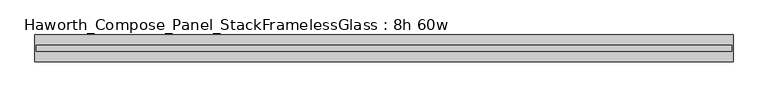
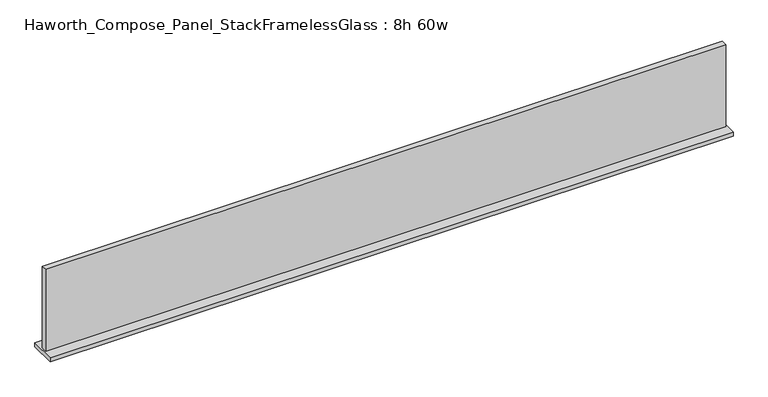
"""IFC4 building model written with IfcOpenShell, lengths in millimetres: furniture geometry, Haworth_Compose_Panel_StackFramelessGlass : 8h 60w."""

from ifc_helpers import new_model, si_unit, frame, origin, place, context, project, spatial, polyline, outline, extrude, source, transform, mapped, element, save


def haworth_compose_panel_stackframelessglass_8h_60w_05824a54(model_context):
    return source(origin(), model_context, "Body", "SweptSolid", [
        extrude(outline(polyline([(761.2652902, -27.3093594), (-756.3847098, -27.3093594), (-756.3847098, -14.6093594), (761.2652902, -14.6093594), (761.2652902, -27.3093594)])), frame((0.0, 0.0, 1279.525), z_axis=(0.0, 0.0, 1.0), x_axis=(1.0, 0.0, 0.0)), (0.0, 0.0, 1.0), 193.675),
        extrude(outline(polyline([(-759.5597098, -50.3281094), (-759.5597098, 8.4093906), (764.4402902, 8.4093906), (764.4402902, -50.3281094), (-759.5597098, -50.3281094)])), frame((0.0, 0.0, 1270.0), z_axis=(0.0, 0.0, 1.0), x_axis=(1.0, 0.0, 0.0)), (0.0, 0.0, 1.0), 9.525),
    ])


if __name__ == "__main__":
    model = new_model("IFC4")
    model_context = context("Model", 3, world=origin())
    ifc_project = project(units=[si_unit("LENGTHUNIT", "METRE", prefix="MILLI")], contexts=[model_context])
    site = spatial("IfcSite", under=ifc_project)
    building = spatial("IfcBuilding", under=site)
    placement = place(None, origin())
    haworth_compose_panel_stackframelessglass_8h_60w_shape = haworth_compose_panel_stackframelessglass_8h_60w_05824a54(model_context)
    element("IfcFurniture", 1, ObjectType="Haworth_Compose_Panel_StackFramelessGlass : 8h 60w", at=placement, inside=building, context=model_context, shape_type="MappedRepresentation", body=[
        mapped(haworth_compose_panel_stackframelessglass_8h_60w_shape, transform((0.0, 0.0, 0.0), x_axis=(1.0, 0.0, 0.0), y_axis=(0.0, 1.0, 0.0), z_axis=(0.0, 0.0, 1.0))),
    ])
    save(model, "model.ifc")
